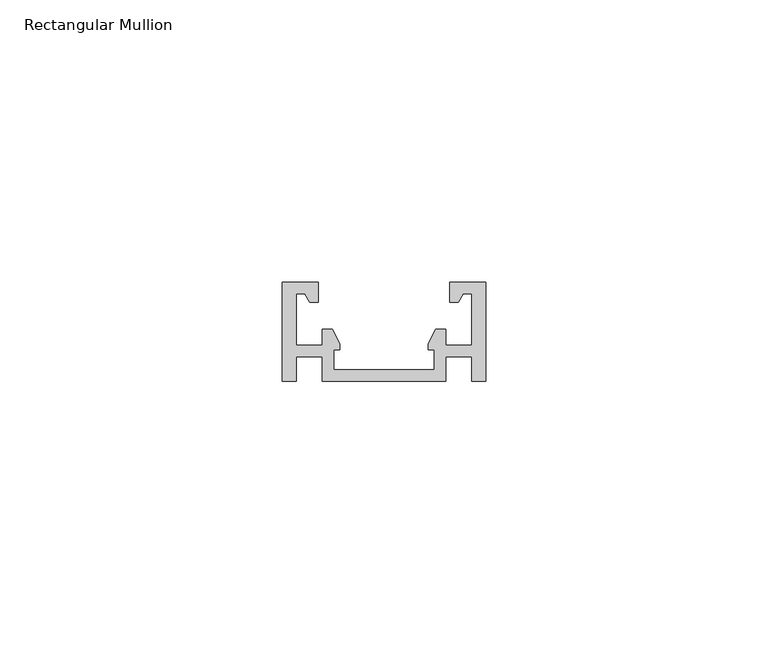
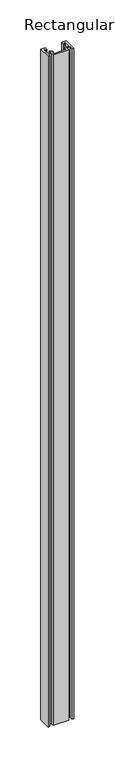
"""IFC4 building model written with IfcOpenShell, lengths in millimetres: member geometry, Rectangular Mullion."""

from ifc_helpers import new_model, si_unit, frame, origin, place, context, project, spatial, polyline, outline, extrude, source, transform, mapped, element, save


def rectangular_mullion_76cb3bef(model_context):
    return source(origin(), model_context, "Body", "SweptSolid", [
        extrude(outline(polyline([(-26.9, 2.0), (-9.1, 2.0), (-9.1, 5.6), (-10.2, 5.6), (-10.2, 6.6), (-8.8514682, 9.2), (-7.1, 9.2), (-7.1, 6.35), (-2.5, 6.35), (-2.5, 15.5054985), (-3.9968254, 15.5054985), (-4.8660254, 14.0), (-6.4, 14.0), (-6.4, 17.5), (0.0, 17.5), (0.0, 0.0), (-2.5, 0.0), (-2.5, 4.35), (-7.1, 4.35), (-7.1, 0.0), (-28.9, 0.0), (-28.9, 4.35), (-33.5, 4.35), (-33.5, 0.0), (-36.0, 0.0), (-36.0, 17.5), (-29.6, 17.5), (-29.6, 14.0), (-31.1339746, 14.0), (-32.0031746, 15.5054985), (-33.5, 15.5054985), (-33.5, 6.35), (-28.9, 6.35), (-28.9, 9.2), (-27.1485318, 9.2), (-25.8, 6.6), (-25.8, 5.6), (-26.9, 5.6), (-26.9, 2.0)])), frame((0.0, 0.0, -1000.0), z_axis=(0.0, 0.0, 1.0), x_axis=(1.0, 0.0, 0.0)), (0.0, 0.0, 1.0), 1000.0),
    ])


if __name__ == "__main__":
    model = new_model("IFC4")
    model_context = context("Model", 3, world=origin())
    ifc_project = project(units=[si_unit("LENGTHUNIT", "METRE", prefix="MILLI")], contexts=[model_context])
    site = spatial("IfcSite", under=ifc_project)
    building = spatial("IfcBuilding", under=site)
    placement = place(None, origin())
    rectangular_mullion_shape = rectangular_mullion_76cb3bef(model_context)
    element("IfcMember", 1, ObjectType="Rectangular Mullion", at=placement, inside=building, context=model_context, shape_type="MappedRepresentation", body=[
        mapped(rectangular_mullion_shape, transform((0.0, 0.0, 0.0), x_axis=(1.0, 0.0, 0.0), y_axis=(0.0, 1.0, 0.0), z_axis=(0.0, 0.0, 1.0))),
    ])
    save(model, "model.ifc")
